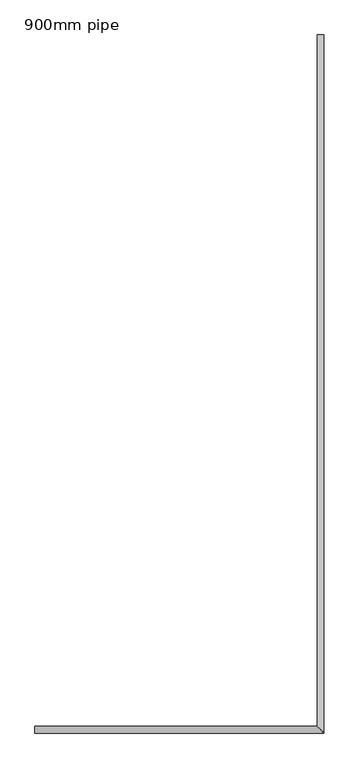
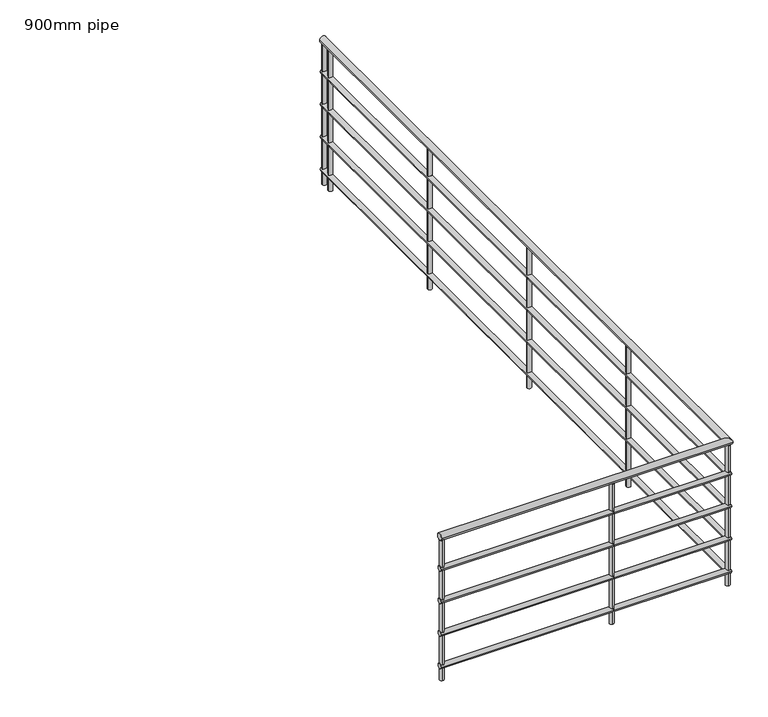
"""IFC4 building model written with IfcOpenShell, lengths in millimetres: railing geometry, 900mm pipe."""

from ifc_helpers import new_model, si_unit, point, frame, frame_2d, origin, origin_with_axes, place, context, project, spatial, circle_curve, ellipse_curve, trimmed, segment, composite_curve, outline, extrude, source, transform, mapped, element, save
from ifc_brep_helpers import plane_surface, cylinder_surface, advanced_brep


def railing_900mm_pipe_ca62eb8b(model_context):
    return source(origin(), model_context, "Body", "SolidModel", [
        advanced_brep(
        [(1564.840733, 62.4434095, 880.0), (1564.840733, 22.4434095, 880.0), (3219.840733, 62.4434095, 880.0), (3259.840733, 22.4434095, 880.0), (3219.840733, 4117.4434095, 880.0), (3259.840733, 4117.4434095, 880.0)],
        [
            (0, 1, circle_curve(frame((1564.840733, 42.4434095, 880.0), z_axis=(-1.0, 0.0, 0.0), x_axis=(0.0, -1.0, 0.0)), 20.0)),
            (1, 0, circle_curve(frame((1564.840733, 42.4434095, 880.0), z_axis=(-1.0, 0.0, 0.0), x_axis=(0.0, -1.0, 0.0)), 20.0)),
            (0, 2),
            (2, 3, ellipse_curve(frame((3239.840733, 42.4434095, 880.0), z_axis=(-0.7071067811865492, -0.7071067811865458, 0.0), x_axis=(-0.7071067811865458, 0.7071067811865491, 0.0)), 28.2842712, 20.0)),
            (3, 1),
            (3, 2, ellipse_curve(frame((3239.840733, 42.4434095, 880.0), z_axis=(-0.7071067811865492, -0.7071067811865458, 0.0), x_axis=(-0.7071067811865458, 0.7071067811865491, 0.0)), 28.2842712, 20.0)),
            (4, 5, circle_curve(frame((3239.840733, 4117.4434095, 880.0), z_axis=(0.0, 1.0, 0.0), x_axis=(1.0, 0.0, 0.0)), 20.0)),
            (5, 4, circle_curve(frame((3239.840733, 4117.4434095, 880.0), z_axis=(0.0, 1.0, 0.0), x_axis=(1.0, 0.0, 0.0)), 20.0)),
            (2, 4),
            (5, 3),
        ],
        [
            plane_surface(frame((1564.840733, 42.4434095, 900.0), z_axis=(-1.0, 0.0, 0.0), x_axis=(0.0, 1.0, 0.0))),
            cylinder_surface(frame((1564.840733, 42.4434095, 880.0), z_axis=(-1.0, 0.0, 0.0), x_axis=(0.0, -1.0, 0.0)), 20.0),
            plane_surface(frame((3239.840733, 4117.4434095, 900.0), z_axis=(0.0, 1.0, 0.0), x_axis=(0.0, 0.0, 1.0))),
            cylinder_surface(frame((3239.840733, 42.4434095, 880.0), z_axis=(0.0, -1.0, 0.0), x_axis=(1.0, 0.0, 0.0)), 20.0),
        ],
        [
            (0, [[1, 2]]),
            (1, [[-1, 3, 4, 5]]),
            (1, [[-2, -5, 6, -3]]),
            (2, [[7, 8]]),
            (3, [[-4, 9, -8, 10]]),
            (3, [[-6, -10, -7, -9]]),
        ],
    ),
        advanced_brep(
        [(1564.840733, 57.4434095, 685.0), (1564.840733, 27.4434095, 685.0), (3224.840733, 57.4434095, 685.0), (3254.840733, 27.4434095, 685.0), (3224.840733, 4117.4434095, 685.0), (3254.840733, 4117.4434095, 685.0)],
        [
            (0, 1, circle_curve(frame((1564.840733, 42.4434095, 685.0), z_axis=(-1.0, 0.0, 0.0), x_axis=(0.0, -1.0, 0.0)), 15.0)),
            (1, 0, circle_curve(frame((1564.840733, 42.4434095, 685.0), z_axis=(-1.0, 0.0, 0.0), x_axis=(0.0, -1.0, 0.0)), 15.0)),
            (0, 2),
            (2, 3, ellipse_curve(frame((3239.840733, 42.4434095, 685.0), z_axis=(-0.7071067811865492, -0.7071067811865458, 0.0), x_axis=(-0.7071067811865458, 0.7071067811865491, 0.0)), 21.2132034, 15.0)),
            (3, 1),
            (3, 2, ellipse_curve(frame((3239.840733, 42.4434095, 685.0), z_axis=(-0.7071067811865492, -0.7071067811865458, 0.0), x_axis=(-0.7071067811865458, 0.7071067811865491, 0.0)), 21.2132034, 15.0)),
            (4, 5, circle_curve(frame((3239.840733, 4117.4434095, 685.0), z_axis=(0.0, 1.0, 0.0), x_axis=(1.0, 0.0, 0.0)), 15.0)),
            (5, 4, circle_curve(frame((3239.840733, 4117.4434095, 685.0), z_axis=(0.0, 1.0, 0.0), x_axis=(1.0, 0.0, 0.0)), 15.0)),
            (2, 4),
            (5, 3),
        ],
        [
            plane_surface(frame((1564.840733, 42.4434095, 700.0), z_axis=(-1.0, 0.0, 0.0), x_axis=(0.0, 1.0, 0.0))),
            cylinder_surface(frame((1564.840733, 42.4434095, 685.0), z_axis=(-1.0, 0.0, 0.0), x_axis=(0.0, -1.0, 0.0)), 15.0),
            plane_surface(frame((3239.840733, 4117.4434095, 700.0), z_axis=(0.0, 1.0, 0.0), x_axis=(0.0, 0.0, 1.0))),
            cylinder_surface(frame((3239.840733, 42.4434095, 685.0), z_axis=(0.0, -1.0, 0.0), x_axis=(1.0, 0.0, 0.0)), 15.0),
        ],
        [
            (0, [[1, 2]]),
            (1, [[-1, 3, 4, 5]]),
            (1, [[-2, -5, 6, -3]]),
            (2, [[7, 8]]),
            (3, [[-4, 9, -8, 10]]),
            (3, [[-6, -10, -7, -9]]),
        ],
    ),
        advanced_brep(
        [(1564.840733, 57.4434095, 485.0), (1564.840733, 27.4434095, 485.0), (3224.840733, 57.4434095, 485.0), (3254.840733, 27.4434095, 485.0), (3224.840733, 4117.4434095, 485.0), (3254.840733, 4117.4434095, 485.0)],
        [
            (0, 1, circle_curve(frame((1564.840733, 42.4434095, 485.0), z_axis=(-1.0, 0.0, 0.0), x_axis=(0.0, -1.0, 0.0)), 15.0)),
            (1, 0, circle_curve(frame((1564.840733, 42.4434095, 485.0), z_axis=(-1.0, 0.0, 0.0), x_axis=(0.0, -1.0, 0.0)), 15.0)),
            (0, 2),
            (2, 3, ellipse_curve(frame((3239.840733, 42.4434095, 485.0), z_axis=(-0.7071067811865492, -0.7071067811865458, 0.0), x_axis=(-0.7071067811865458, 0.7071067811865491, 0.0)), 21.2132034, 15.0)),
            (3, 1),
            (3, 2, ellipse_curve(frame((3239.840733, 42.4434095, 485.0), z_axis=(-0.7071067811865492, -0.7071067811865458, 0.0), x_axis=(-0.7071067811865458, 0.7071067811865491, 0.0)), 21.2132034, 15.0)),
            (4, 5, circle_curve(frame((3239.840733, 4117.4434095, 485.0), z_axis=(0.0, 1.0, 0.0), x_axis=(1.0, 0.0, 0.0)), 15.0)),
            (5, 4, circle_curve(frame((3239.840733, 4117.4434095, 485.0), z_axis=(0.0, 1.0, 0.0), x_axis=(1.0, 0.0, 0.0)), 15.0)),
            (2, 4),
            (5, 3),
        ],
        [
            plane_surface(frame((1564.840733, 42.4434095, 500.0), z_axis=(-1.0, 0.0, 0.0), x_axis=(0.0, 1.0, 0.0))),
            cylinder_surface(frame((1564.840733, 42.4434095, 485.0), z_axis=(-1.0, 0.0, 0.0), x_axis=(0.0, -1.0, 0.0)), 15.0),
            plane_surface(frame((3239.840733, 4117.4434095, 500.0), z_axis=(0.0, 1.0, 0.0), x_axis=(0.0, 0.0, 1.0))),
            cylinder_surface(frame((3239.840733, 42.4434095, 485.0), z_axis=(0.0, -1.0, 0.0), x_axis=(1.0, 0.0, 0.0)), 15.0),
        ],
        [
            (0, [[1, 2]]),
            (1, [[-1, 3, 4, 5]]),
            (1, [[-2, -5, 6, -3]]),
            (2, [[7, 8]]),
            (3, [[-4, 9, -8, 10]]),
            (3, [[-6, -10, -7, -9]]),
        ],
    ),
        advanced_brep(
        [(1564.840733, 57.4434095, 285.0), (1564.840733, 27.4434095, 285.0), (3224.840733, 57.4434095, 285.0), (3254.840733, 27.4434095, 285.0), (3224.840733, 4117.4434095, 285.0), (3254.840733, 4117.4434095, 285.0)],
        [
            (0, 1, circle_curve(frame((1564.840733, 42.4434095, 285.0), z_axis=(-1.0, 0.0, 0.0), x_axis=(0.0, -1.0, 0.0)), 15.0)),
            (1, 0, circle_curve(frame((1564.840733, 42.4434095, 285.0), z_axis=(-1.0, 0.0, 0.0), x_axis=(0.0, -1.0, 0.0)), 15.0)),
            (0, 2),
            (2, 3, ellipse_curve(frame((3239.840733, 42.4434095, 285.0), z_axis=(-0.7071067811865492, -0.7071067811865458, 0.0), x_axis=(-0.7071067811865458, 0.7071067811865491, 0.0)), 21.2132034, 15.0)),
            (3, 1),
            (3, 2, ellipse_curve(frame((3239.840733, 42.4434095, 285.0), z_axis=(-0.7071067811865492, -0.7071067811865458, 0.0), x_axis=(-0.7071067811865458, 0.7071067811865491, 0.0)), 21.2132034, 15.0)),
            (4, 5, circle_curve(frame((3239.840733, 4117.4434095, 285.0), z_axis=(0.0, 1.0, 0.0), x_axis=(1.0, 0.0, 0.0)), 15.0)),
            (5, 4, circle_curve(frame((3239.840733, 4117.4434095, 285.0), z_axis=(0.0, 1.0, 0.0), x_axis=(1.0, 0.0, 0.0)), 15.0)),
            (2, 4),
            (5, 3),
        ],
        [
            plane_surface(frame((1564.840733, 42.4434095, 300.0), z_axis=(-1.0, 0.0, 0.0), x_axis=(0.0, 1.0, 0.0))),
            cylinder_surface(frame((1564.840733, 42.4434095, 285.0), z_axis=(-1.0, 0.0, 0.0), x_axis=(0.0, -1.0, 0.0)), 15.0),
            plane_surface(frame((3239.840733, 4117.4434095, 300.0), z_axis=(0.0, 1.0, 0.0), x_axis=(0.0, 0.0, 1.0))),
            cylinder_surface(frame((3239.840733, 42.4434095, 285.0), z_axis=(0.0, -1.0, 0.0), x_axis=(1.0, 0.0, 0.0)), 15.0),
        ],
        [
            (0, [[1, 2]]),
            (1, [[-1, 3, 4, 5]]),
            (1, [[-2, -5, 6, -3]]),
            (2, [[7, 8]]),
            (3, [[-4, 9, -8, 10]]),
            (3, [[-6, -10, -7, -9]]),
        ],
    ),
        advanced_brep(
        [(1564.840733, 57.4434095, 85.0), (1564.840733, 27.4434095, 85.0), (3224.840733, 57.4434095, 85.0), (3254.840733, 27.4434095, 85.0), (3224.840733, 4117.4434095, 85.0), (3254.840733, 4117.4434095, 85.0)],
        [
            (0, 1, circle_curve(frame((1564.840733, 42.4434095, 85.0), z_axis=(-1.0, 0.0, 0.0), x_axis=(0.0, -1.0, 0.0)), 15.0)),
            (1, 0, circle_curve(frame((1564.840733, 42.4434095, 85.0), z_axis=(-1.0, 0.0, 0.0), x_axis=(0.0, -1.0, 0.0)), 15.0)),
            (0, 2),
            (2, 3, ellipse_curve(frame((3239.840733, 42.4434095, 85.0), z_axis=(-0.7071067811865492, -0.7071067811865458, 0.0), x_axis=(-0.7071067811865458, 0.7071067811865491, 0.0)), 21.2132034, 15.0)),
            (3, 1),
            (3, 2, ellipse_curve(frame((3239.840733, 42.4434095, 85.0), z_axis=(-0.7071067811865492, -0.7071067811865458, 0.0), x_axis=(-0.7071067811865458, 0.7071067811865491, 0.0)), 21.2132034, 15.0)),
            (4, 5, circle_curve(frame((3239.840733, 4117.4434095, 85.0), z_axis=(0.0, 1.0, 0.0), x_axis=(1.0, 0.0, 0.0)), 15.0)),
            (5, 4, circle_curve(frame((3239.840733, 4117.4434095, 85.0), z_axis=(0.0, 1.0, 0.0), x_axis=(1.0, 0.0, 0.0)), 15.0)),
            (2, 4),
            (5, 3),
        ],
        [
            plane_surface(frame((1564.840733, 42.4434095, 100.0), z_axis=(-1.0, 0.0, 0.0), x_axis=(0.0, 1.0, 0.0))),
            cylinder_surface(frame((1564.840733, 42.4434095, 85.0), z_axis=(-1.0, 0.0, 0.0), x_axis=(0.0, -1.0, 0.0)), 15.0),
            plane_surface(frame((3239.840733, 4117.4434095, 100.0), z_axis=(0.0, 1.0, 0.0), x_axis=(0.0, 0.0, 1.0))),
            cylinder_surface(frame((3239.840733, 42.4434095, 85.0), z_axis=(0.0, -1.0, 0.0), x_axis=(1.0, 0.0, 0.0)), 15.0),
        ],
        [
            (0, [[1, 2]]),
            (1, [[-1, 3, 4, 5]]),
            (1, [[-2, -5, 6, -3]]),
            (2, [[7, 8]]),
            (3, [[-4, 9, -8, 10]]),
            (3, [[-6, -10, -7, -9]]),
        ],
    ),
        extrude(outline(composite_curve([segment(trimmed(circle_curve(frame_2d((3239.840733, 4042.4434095)), 12.5), [point((3227.340733, 4042.4434095))], [point((3252.340733, 4042.4434095))], False, "CARTESIAN"), True, "CONTINUOUS"), segment(trimmed(circle_curve(frame_2d((3239.840733, 4042.4434095)), 12.5), [point((3252.340733, 4042.4434095))], [point((3227.340733, 4042.4434095))], False, "CARTESIAN"), True, "CONTINUOUS")], self_intersect=False)), origin_with_axes(), (0.0, 0.0, 1.0), 860.0),
        extrude(outline(composite_curve([segment(trimmed(circle_curve(frame_2d((3239.840733, 3042.4434095)), 12.5), [point((3227.340733, 3042.4434095))], [point((3252.340733, 3042.4434095))], False, "CARTESIAN"), True, "CONTINUOUS"), segment(trimmed(circle_curve(frame_2d((3239.840733, 3042.4434095)), 12.5), [point((3252.340733, 3042.4434095))], [point((3227.340733, 3042.4434095))], False, "CARTESIAN"), True, "CONTINUOUS")], self_intersect=False)), origin_with_axes(), (0.0, 0.0, 1.0), 860.0),
        extrude(outline(composite_curve([segment(trimmed(circle_curve(frame_2d((3239.840733, 2042.4434095)), 12.5), [point((3227.340733, 2042.4434095))], [point((3252.340733, 2042.4434095))], False, "CARTESIAN"), True, "CONTINUOUS"), segment(trimmed(circle_curve(frame_2d((3239.840733, 2042.4434095)), 12.5), [point((3252.340733, 2042.4434095))], [point((3227.340733, 2042.4434095))], False, "CARTESIAN"), True, "CONTINUOUS")], self_intersect=False)), origin_with_axes(), (0.0, 0.0, 1.0), 860.0),
        extrude(outline(composite_curve([segment(trimmed(circle_curve(frame_2d((3239.840733, 1042.4434095)), 12.5), [point((3227.340733, 1042.4434095))], [point((3252.340733, 1042.4434095))], False, "CARTESIAN"), True, "CONTINUOUS"), segment(trimmed(circle_curve(frame_2d((3239.840733, 1042.4434095)), 12.5), [point((3252.340733, 1042.4434095))], [point((3227.340733, 1042.4434095))], False, "CARTESIAN"), True, "CONTINUOUS")], self_intersect=False)), origin_with_axes(), (0.0, 0.0, 1.0), 860.0),
        extrude(outline(composite_curve([segment(trimmed(circle_curve(frame_2d((2564.840733, 42.4434095)), 12.5), [point((2564.840733, 54.9434095))], [point((2564.840733, 29.9434095))], False, "CARTESIAN"), True, "CONTINUOUS"), segment(trimmed(circle_curve(frame_2d((2564.840733, 42.4434095)), 12.5), [point((2564.840733, 29.9434095))], [point((2564.840733, 54.9434095))], False, "CARTESIAN"), True, "CONTINUOUS")], self_intersect=False)), origin_with_axes(), (0.0, 0.0, 1.0), 860.0),
        extrude(outline(composite_curve([segment(trimmed(circle_curve(frame_2d((3239.840733, 42.4434095)), 12.5), [point((3239.840733, 54.9434095))], [point((3239.840733, 29.9434095))], False, "CARTESIAN"), True, "CONTINUOUS"), segment(trimmed(circle_curve(frame_2d((3239.840733, 42.4434095)), 12.5), [point((3239.840733, 29.9434095))], [point((3239.840733, 54.9434095))], False, "CARTESIAN"), True, "CONTINUOUS")], self_intersect=False)), origin_with_axes(), (0.0, 0.0, 1.0), 860.0),
        extrude(outline(composite_curve([segment(trimmed(circle_curve(frame_2d((3239.840733, 4104.9434095)), 12.5), [point((3227.340733, 4104.9434095))], [point((3252.340733, 4104.9434095))], False, "CARTESIAN"), True, "CONTINUOUS"), segment(trimmed(circle_curve(frame_2d((3239.840733, 4104.9434095)), 12.5), [point((3252.340733, 4104.9434095))], [point((3227.340733, 4104.9434095))], False, "CARTESIAN"), True, "CONTINUOUS")], self_intersect=False)), origin_with_axes(), (0.0, 0.0, 1.0), 860.0),
        extrude(outline(composite_curve([segment(trimmed(circle_curve(frame_2d((1577.340733, 42.4434095)), 12.5), [point((1577.340733, 54.9434095))], [point((1577.340733, 29.9434095))], False, "CARTESIAN"), True, "CONTINUOUS"), segment(trimmed(circle_curve(frame_2d((1577.340733, 42.4434095)), 12.5), [point((1577.340733, 29.9434095))], [point((1577.340733, 54.9434095))], False, "CARTESIAN"), True, "CONTINUOUS")], self_intersect=False)), origin_with_axes(), (0.0, 0.0, 1.0), 860.0),
    ])


if __name__ == "__main__":
    model = new_model("IFC4")
    model_context = context("Model", 3, world=origin())
    ifc_project = project(units=[si_unit("LENGTHUNIT", "METRE", prefix="MILLI")], contexts=[model_context])
    site = spatial("IfcSite", under=ifc_project)
    building = spatial("IfcBuilding", under=site)
    placement = place(None, origin())
    railing_900mm_pipe_shape = railing_900mm_pipe_ca62eb8b(model_context)
    element("IfcRailing", 1, ObjectType="900mm pipe", at=placement, inside=building, context=model_context, shape_type="MappedRepresentation", body=[
        mapped(railing_900mm_pipe_shape, transform((0.0, 0.0, 0.0), x_axis=(1.0, 0.0, 0.0), y_axis=(0.0, 1.0, 0.0), z_axis=(0.0, 0.0, 1.0))),
    ])
    save(model, "model.ifc")
